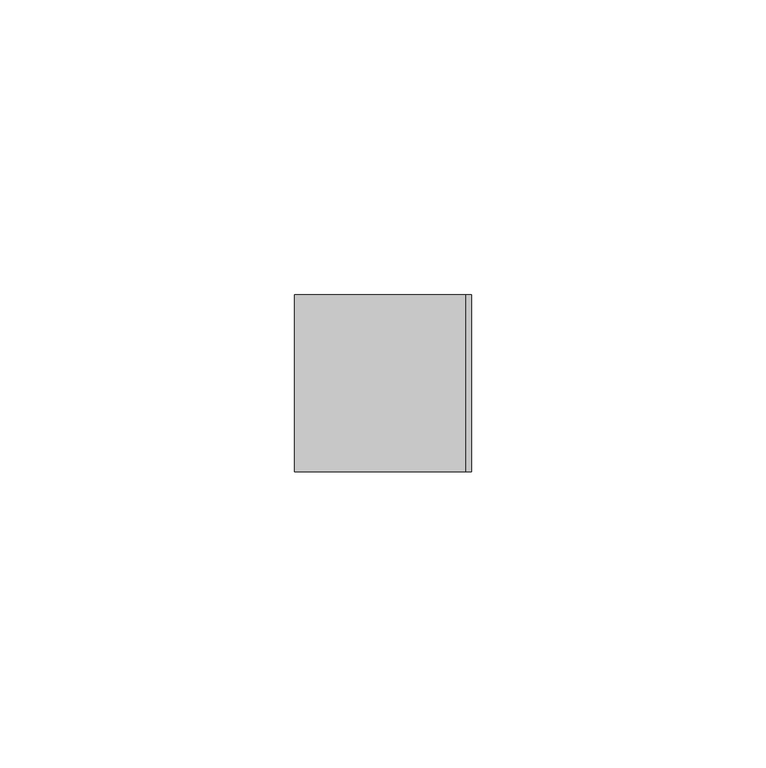
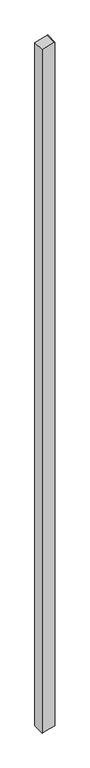
"""IFC4 building model written with IfcOpenShell, lengths in millimetres: member geometry."""

from ifc_helpers import new_model, si_unit, frame, origin, place, context, project, spatial, polyline, outline, extrude, source, transform, mapped, element, save


def member_b1331a2e(model_context):
    return source(origin(), model_context, "Body", "SweptSolid", [
        extrude(outline(polyline([(-47.7068097, 15.0), (-47.9795878, 14.0697958), (-56.5041731, -15.0), (-1771.6025243, -15.0), (-1769.3170453, -6.4704761), (-1763.5640485, 15.0), (-47.7068097, 15.0)])), frame((0.0, -15.0, 0.0), z_axis=(0.0, 1.0, 0.0), x_axis=(0.0, 0.0, 1.0)), (0.0, 0.0, 1.0), 30.0),
    ])


if __name__ == "__main__":
    model = new_model("IFC4")
    model_context = context("Model", 3, world=origin())
    ifc_project = project(units=[si_unit("LENGTHUNIT", "METRE", prefix="MILLI")], contexts=[model_context])
    site = spatial("IfcSite", under=ifc_project)
    building = spatial("IfcBuilding", under=site)
    placement = place(None, origin())
    member_shape = member_b1331a2e(model_context)
    element("IfcMember", 1, at=placement, inside=building, context=model_context, shape_type="MappedRepresentation", body=[
        mapped(member_shape, transform((0.0, 0.0, 0.0), x_axis=(1.0, 0.0, 0.0), y_axis=(0.0, 1.0, 0.0), z_axis=(0.0, 0.0, 1.0))),
    ])
    save(model, "model.ifc")
